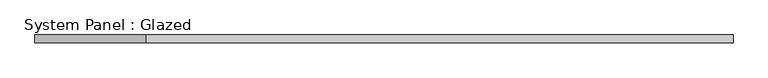
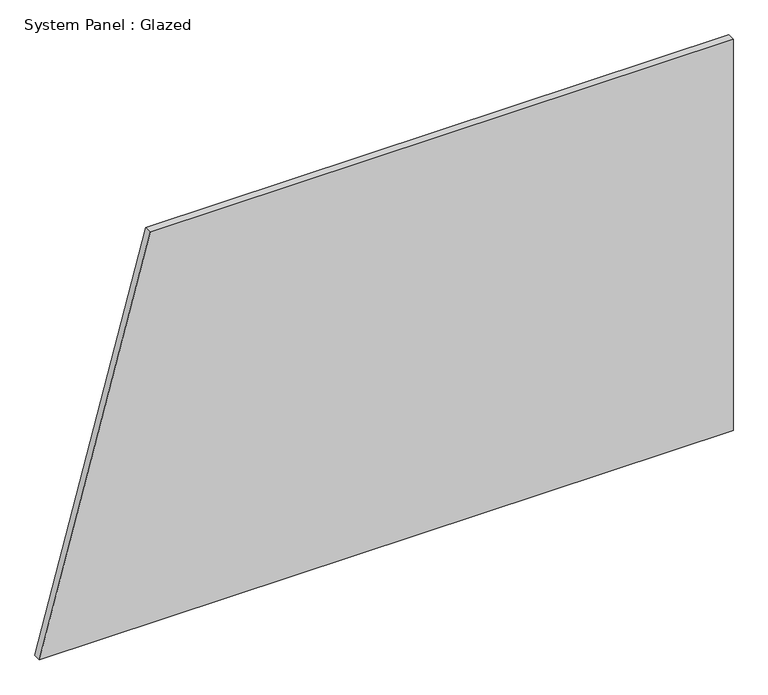
"""IFC4 building model written with IfcOpenShell, lengths in millimetres: plate geometry, System Panel : Glazed."""

from ifc_helpers import new_model, si_unit, frame, origin, place, context, project, spatial, polyline, outline, extrude, source, transform, mapped, element, save


def system_panel_glazed_46166446(model_context):
    return source(origin(), model_context, "Body", "SweptSolid", [
        extrude(outline(polyline([(0.0, -1132.1737711), (0.0, 1132.1737711), (1350.0, 1132.1737711), (1350.0, -770.4423613), (0.0, -1132.1737711)])), frame((0.0, -22.5, 0.0), z_axis=(0.0, 1.0, 0.0), x_axis=(0.0, 0.0, 1.0)), (0.0, 0.0, 1.0), 25.0),
    ])


if __name__ == "__main__":
    model = new_model("IFC4")
    model_context = context("Model", 3, world=origin())
    ifc_project = project(units=[si_unit("LENGTHUNIT", "METRE", prefix="MILLI")], contexts=[model_context])
    site = spatial("IfcSite", under=ifc_project)
    building = spatial("IfcBuilding", under=site)
    placement = place(None, origin())
    system_panel_glazed_shape = system_panel_glazed_46166446(model_context)
    element("IfcPlate", 1, ObjectType="System Panel : Glazed", at=placement, inside=building, context=model_context, shape_type="MappedRepresentation", body=[
        mapped(system_panel_glazed_shape, transform((0.0, 0.0, 0.0), x_axis=(1.0, 0.0, 0.0), y_axis=(0.0, 1.0, 0.0), z_axis=(0.0, 0.0, 1.0))),
    ])
    save(model, "model.ifc")
